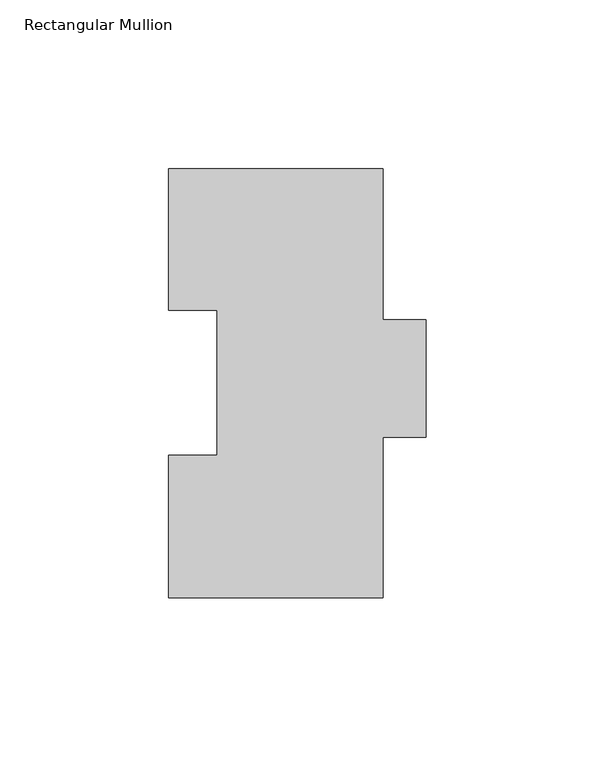
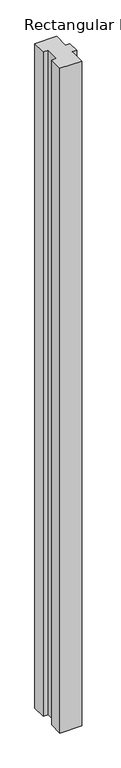
"""IFC4 building model written with IfcOpenShell, lengths in millimetres: member geometry, Rectangular Mullion."""

import ifcopenshell
import ifcopenshell.guid

model = None  # the IFC model being written
_history = None  # IfcOwnerHistory: only IFC2X3 demands one
_inside = {}  # id of a spatial element -> (the spatial element, [elements in it])
_under = {}  # id of a project, library or spatial element -> (it, [spatial elements below it])
_declared = {}  # id of a project -> (the project, [libraries it declares])
_typed = {}  # id of a type object -> (the type object, [elements of that type])
_made_of = {}  # id of a material, layer set ... -> (it, [elements and type objects made of it])


def new_model(schema):
    """Start an empty IFC model of exactly this schema.

    Asked for "IFC4X3", IfcOpenShell would pick the latest addendum, in which some entities
    have other attributes; the version numbers below select the first issue.
    IFC2X3 requires an IfcOwnerHistory on every rooted entity: one is made here for all.
    """
    global model, _history
    if schema == "IFC4X3":
        model = ifcopenshell.file(schema_version=(4, 3, 0, 0))
    else:
        model = ifcopenshell.file(schema=schema)
    _inside.clear()
    _under.clear()
    _declared.clear()
    _typed.clear()
    _made_of.clear()
    _history = None
    if model.schema == "IFC2X3":
        org = make("IfcOrganization", Name="unknown")
        user = make(
            "IfcPersonAndOrganization",
            ThePerson=make("IfcPerson", FamilyName="unknown"),
            TheOrganization=org,
        )
        app = make(
            "IfcApplication",
            ApplicationDeveloper=org,
            Version="unknown",
            ApplicationFullName="unknown",
            ApplicationIdentifier="unknown",
        )
        _history = make(
            "IfcOwnerHistory",
            OwningUser=user,
            OwningApplication=app,
            ChangeAction="ADDED",
            CreationDate=0,
        )
    return model


def make(cls, **values):
    """One entity of the class cls with the attributes given. An attribute that is None is left unset."""
    return model.create_entity(
        cls, **{name: value for name, value in values.items() if value is not None}
    )


def rooted(cls, **values):
    """An entity with a GlobalId (a new one), such as an element, a storey or a relation."""
    return make(cls, GlobalId=ifcopenshell.guid.new(), OwnerHistory=_history, **values)


def si_unit(unit_type, name, prefix=None):
    """IfcSIUnit, for example si_unit("LENGTHUNIT", "METRE", prefix="MILLI")."""
    return make("IfcSIUnit", UnitType=unit_type, Prefix=prefix, Name=name)


def assignment(units):
    """IfcUnitAssignment: the units of a project."""
    return None if units is None else make("IfcUnitAssignment", Units=units)


def point(xyz):
    """IfcCartesianPoint."""
    return None if xyz is None else make("IfcCartesianPoint", Coordinates=xyz)


def direction(xyz):
    """IfcDirection."""
    return None if xyz is None else make("IfcDirection", DirectionRatios=xyz)


def frame(location, z_axis=None, x_axis=None):
    """IfcAxis2Placement3D, a coordinate frame: its origin and axes. An axis left out is left unset."""
    return make(
        "IfcAxis2Placement3D",
        Location=point(location),
        Axis=direction(z_axis),
        RefDirection=direction(x_axis),
    )


def origin():
    """The frame at (0, 0, 0) with its axes left unset."""
    return frame((0.0, 0.0, 0.0))


def place(relative_to, where):
    """IfcLocalPlacement: puts the frame where relative to a parent placement (None: the world)."""
    return make(
        "IfcLocalPlacement", PlacementRelTo=relative_to, RelativePlacement=where
    )


def context(
    kind, dimensions, precision=None, world=None, true_north=None, identifier=None
):
    """IfcGeometricRepresentationContext, for example the 3D "Model" context."""
    return make(
        "IfcGeometricRepresentationContext",
        ContextIdentifier=identifier,
        ContextType=kind,
        CoordinateSpaceDimension=dimensions,
        Precision=precision,
        WorldCoordinateSystem=world,
        TrueNorth=true_north,
    )


def project(units=None, contexts=None):
    """IfcProject with its units and contexts."""
    return rooted(
        "IfcProject",
        Name="project",
        RepresentationContexts=contexts,
        UnitsInContext=assignment(units),
    )


def spatial(cls, under=None, at=None, **own):
    """A site, building, storey or space (cls), placed at a placement, below another one or the project."""
    s = rooted(cls, ObjectPlacement=at, **own)
    if under is not None:
        _under.setdefault(under.id(), (under, []))[1].append(s)
    return s


def polyline(points):
    """IfcPolyline through the points."""
    return make("IfcPolyline", Points=[point(p) for p in points])


def outline(outer, holes=None, kind="AREA"):
    """IfcArbitraryClosedProfileDef: a profile drawn as a closed curve; with holes, ...WithVoids."""
    if holes is None:
        return make("IfcArbitraryClosedProfileDef", ProfileType=kind, OuterCurve=outer)
    return make(
        "IfcArbitraryProfileDefWithVoids",
        ProfileType=kind,
        OuterCurve=outer,
        InnerCurves=holes,
    )


def extrude(swept, where, along, depth):
    """IfcExtrudedAreaSolid: the profile swept, set in the frame where, extruded along a direction by depth."""
    return make(
        "IfcExtrudedAreaSolid",
        SweptArea=swept,
        Position=where,
        ExtrudedDirection=direction(along),
        Depth=depth,
    )


def shape(context_of_items, identifier, shape_type, items):
    """IfcShapeRepresentation: the items that make up one representation, for example the "Body"."""
    return make(
        "IfcShapeRepresentation",
        ContextOfItems=context_of_items,
        RepresentationIdentifier=identifier,
        RepresentationType=shape_type,
        Items=items,
    )


def source(mapping_origin, context_of_items, identifier, shape_type, items):
    """IfcRepresentationMap: a shape defined once, which mapped items show again and again."""
    return make(
        "IfcRepresentationMap",
        MappingOrigin=mapping_origin,
        MappedRepresentation=shape(context_of_items, identifier, shape_type, items),
    )


def transform(
    local_origin,
    x_axis=None,
    y_axis=None,
    z_axis=None,
    scale=None,
    scale2=None,
    scale3=None,
    uniform=True,
):
    """IfcCartesianTransformationOperator3D, or its non-uniform kind. x_axis, y_axis, z_axis: its Axis1, 2, 3."""
    if uniform:
        return make(
            "IfcCartesianTransformationOperator3D",
            Axis1=direction(x_axis),
            Axis2=direction(y_axis),
            LocalOrigin=point(local_origin),
            Scale=scale,
            Axis3=direction(z_axis),
        )
    return make(
        "IfcCartesianTransformationOperator3DnonUniform",
        Axis1=direction(x_axis),
        Axis2=direction(y_axis),
        LocalOrigin=point(local_origin),
        Scale=scale,
        Axis3=direction(z_axis),
        Scale2=scale2,
        Scale3=scale3,
    )


def mapped(mapping_source, mapping_target):
    """IfcMappedItem: shows the shape of a source again, moved by a transform."""
    return make(
        "IfcMappedItem", MappingSource=mapping_source, MappingTarget=mapping_target
    )


def made_of(thing, what):
    """Note that an element or type object is made of a material, layer set ...; save() writes the relation."""
    if what is not None:
        _made_of.setdefault(what.id(), (what, []))[1].append(thing)
    return thing


def element(
    cls,
    number,
    at=None,
    inside=None,
    cuts=None,
    type_object=None,
    material=None,
    context=None,
    identifier="Body",
    shape_type=None,
    held_by="IfcProductDefinitionShape",
    body=None,
    shapes=None,
    **own,
):
    """One element of the class cls, such as IfcWall. Its Tag is "e" and its number.

    at: its placement. inside: the storey or other place that contains it. cuts: it is an
    opening in that element (IfcRelVoidsElement). A single representation is given by context,
    identifier, shape_type and body (its items); several are given by shapes. held_by: the class
    of the entity that holds the representations. save() writes the other relations.
    """
    e = rooted(cls, Tag="e%d" % number, ObjectPlacement=at, **own)
    if body is not None:
        shapes = [shape(context, identifier, shape_type, body)]
    if shapes is not None:
        e.Representation = make(held_by, Representations=shapes)
    if inside is not None:
        _inside.setdefault(inside.id(), (inside, []))[1].append(e)
    if cuts is not None:
        rooted(
            "IfcRelVoidsElement", RelatingBuildingElement=cuts, RelatedOpeningElement=e
        )
    if type_object is not None:
        _typed.setdefault(type_object.id(), (type_object, []))[1].append(e)
    return made_of(e, material)


def aggregate(whole, parts):
    """IfcRelAggregates: a whole, such as a stair, and the parts it consists of."""
    return rooted("IfcRelAggregates", RelatingObject=whole, RelatedObjects=parts)


def save(model, path):
    """Write the relations noted so far, then the file.

    IfcRelAggregates (storeys below a building ...), IfcRelContainedInSpatialStructure (elements
    in a storey), IfcRelDefinesByType, IfcRelAssociatesMaterial and IfcRelDeclares: one each for
    every whole, place, type object, material and project.
    """
    for whole, parts in _under.values():
        aggregate(whole, parts)
    for where, things in _inside.values():
        rooted(
            "IfcRelContainedInSpatialStructure",
            RelatedElements=things,
            RelatingStructure=where,
        )
    for kind, things in _typed.values():
        rooted("IfcRelDefinesByType", RelatedObjects=things, RelatingType=kind)
    for what, things in _made_of.values():
        rooted("IfcRelAssociatesMaterial", RelatedObjects=things, RelatingMaterial=what)
    for by, libraries in _declared.values():
        rooted("IfcRelDeclares", RelatingContext=by, RelatedDefinitions=libraries)
    model.write(path)


def rectangular_mullion_8260eadf(model_context):
    return source(origin(), model_context, "Body", "SweptSolid", [
        extrude(outline(polyline([(-31.75, 126.79045), (31.75, 126.79045), (31.75, 82.08645), (44.45, 82.08645), (44.45, 47.41545), (31.75, 47.41545), (31.75, -0.20955), (-31.75, -0.20955), (-31.75, 42.08145), (-17.4625, 42.08145), (-17.4625, 84.93125), (-31.75, 84.93125), (-31.75, 126.79045)])), frame((0.0, 0.0, -2060.575), z_axis=(0.0, 0.0, 1.0), x_axis=(1.0, 0.0, 0.0)), (0.0, 0.0, 1.0), 2060.575),
    ])


if __name__ == "__main__":
    model = new_model("IFC4")
    model_context = context("Model", 3, world=origin())
    ifc_project = project(units=[si_unit("LENGTHUNIT", "METRE", prefix="MILLI")], contexts=[model_context])
    site = spatial("IfcSite", under=ifc_project)
    building = spatial("IfcBuilding", under=site)
    placement = place(None, origin())
    rectangular_mullion_shape = rectangular_mullion_8260eadf(model_context)
    element("IfcMember", 1, ObjectType="Rectangular Mullion", at=placement, inside=building, context=model_context, shape_type="MappedRepresentation", body=[
        mapped(rectangular_mullion_shape, transform((0.0, 0.0, 0.0), x_axis=(1.0, 0.0, 0.0), y_axis=(0.0, 1.0, 0.0), z_axis=(0.0, 0.0, 1.0))),
    ])
    save(model, "model.ifc")
